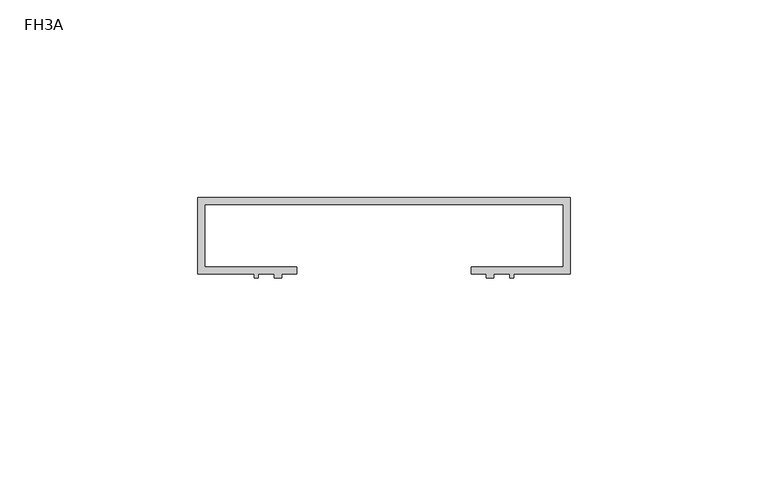
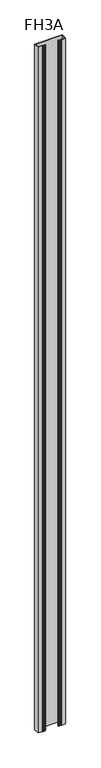
"""IFC4 building model written with IfcOpenShell, lengths in millimetres: proxy geometry, FH3A."""

from ifc_helpers import new_model, si_unit, frame, origin, place, context, project, spatial, polyline, outline, extrude, source, transform, mapped, element, save


def fh3a_2be0b722(model_context):
    return source(origin(), model_context, "Body", "SweptSolid", [
        extrude(outline(polyline([(-46.9900006, 9.6519987), (46.9900006, 9.6519987), (46.9900006, -9.6519987), (32.8041023, -9.6519987), (32.8041023, -10.668), (31.7880988, -10.668), (31.7880988, -9.6519987), (27.6860008, -9.6519987), (27.6860008, -10.668), (25.7810004, -10.668), (25.7810004, -9.6519987), (22.0218003, -9.6519987), (22.0218003, -7.8740004), (45.2120023, -7.8740004), (45.2120023, 7.8740004), (-45.2120023, 7.8740004), (-45.2120023, -7.8740004), (-22.0218003, -7.8740004), (-22.0218003, -9.6519987), (-25.7810004, -9.6519987), (-25.7810004, -10.668), (-27.6860008, -10.668), (-27.6860008, -9.6519987), (-31.7880988, -9.6519987), (-31.7880988, -10.668), (-32.8041023, -10.668), (-32.8041023, -9.6519987), (-46.9900006, -9.6519987), (-46.9900006, 9.6519987)])), frame((0.0, 0.0, -1246.8539596), z_axis=(0.0, 0.0, 1.0), x_axis=(1.0, 0.0, 0.0)), (0.0, 0.0, 1.0), 2455.8752778),
    ])


if __name__ == "__main__":
    model = new_model("IFC4")
    model_context = context("Model", 3, world=origin())
    ifc_project = project(units=[si_unit("LENGTHUNIT", "METRE", prefix="MILLI")], contexts=[model_context])
    site = spatial("IfcSite", under=ifc_project)
    building = spatial("IfcBuilding", under=site)
    placement = place(None, origin())
    fh3a_shape = fh3a_2be0b722(model_context)
    element("IfcBuildingElementProxy", 1, Name="FH3A", ObjectType="FH3A", at=placement, inside=building, context=model_context, shape_type="MappedRepresentation", body=[
        mapped(fh3a_shape, transform((0.0, 0.0, 0.0), x_axis=(1.0, 0.0, 0.0), y_axis=(0.0, 1.0, 0.0), z_axis=(0.0, 0.0, 1.0))),
    ])
    save(model, "model.ifc")
